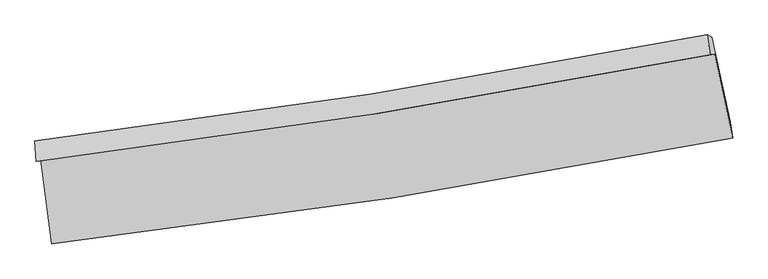
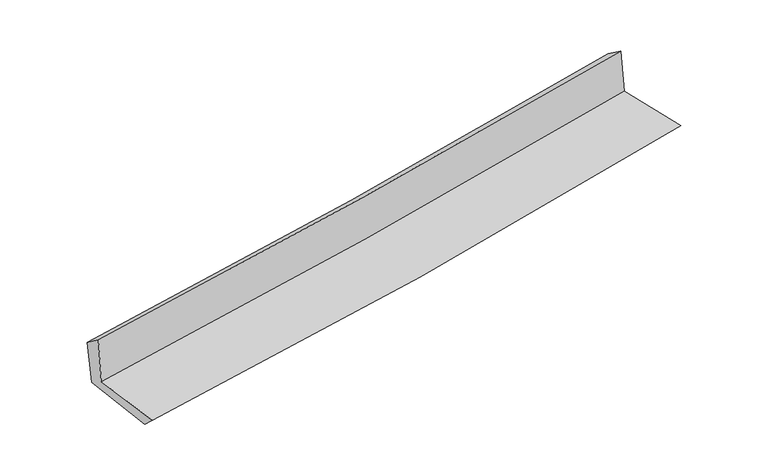
"""IFC4 building model written with IfcOpenShell, lengths in millimetres: proxy geometry."""

from ifc_helpers import new_model, si_unit, frame, origin, place, context, project, spatial, source, transform, mapped, element, save
from ifc_brep_helpers import plane_surface, spline_curve, spline_surface, advanced_brep


def generic_models_6f56cde4(model_context):
    return source(origin(), model_context, "Body", "AdvancedBrep", [
        advanced_brep(
        [(-2636.4367194, -1888.600669, 1641.3981784), (-2552.5159345, -2543.8942225, 1638.9602862), (2723.0361253, -1723.5181938, 2123.8002047), (2583.5381519, -1072.9073028, 2111.3906218), (-2671.5449919, -1904.9591883, 2062.9333195), (2548.8761057, -1078.8396084, 2512.7765181), (-2681.5730372, -1747.5976365, 1948.7842619), (2525.2387542, -923.8116303, 2402.5910934), (-2645.7787645, -1756.5215524, 1556.07288), (2562.8846366, -941.5870244, 2025.1007007), (-2557.5500171, -2433.1104496, 1535.6422779), (2706.4054023, -1599.2902025, 2009.7044318)],
        [
            (0, 1),
            (1, 2, spline_curve(3, [(-2552.5159345, -2543.8942225, 1638.9602862), (-1669.304804547, -2443.366669269, 1716.240940385), (-789.015776256, -2324.925183697, 1795.19345306), (969.527003837, -2051.622384945, 1956.792211494), (1847.755328574, -1896.605194589, 2039.453005038), (2723.0361253, -1723.5181938, 2123.8002047)], [4, 2, 4], [0.0, 8.730713442594686, 17.49932965823304])),
            (2, 3),
            (3, 0, spline_curve(3, [(2583.5381519, -1072.9073028, 2111.3906218), (1716.389780808, -1243.372038095, 2039.625491424), (846.870378688, -1396.689021377, 1964.484761645), (-893.141698589, -1668.43888645, 1807.791494632), (-1763.613920218, -1787.019691749, 1726.268076546), (-2636.4367194, -1888.600669, 1641.3981784)], [4, 2, 4], [0.0, 8.768616215638355, 17.49932965823304])),
            (4, 0),
            (3, 5),
            (5, 4, spline_curve(3, [(2548.8761057, -1078.8396084, 2512.7765181), (1681.224755302, -1247.654212046, 2444.322617072), (811.417061077, -1401.020535669, 2372.520301325), (-928.741906021, -1676.260465832, 2222.543683787), (-1799.074577933, -1798.267335465, 2144.398266638), (-2671.5449919, -1904.9591883, 2062.9333195)], [4, 2, 4], [0.0, 8.721991122814238, 17.40628101183205])),
            (6, 4),
            (5, 7),
            (7, 6, spline_curve(3, [(2525.2387542, -923.8116303, 2402.5910934), (1660.313842007, -1092.276018315, 2328.434825996), (793.005441445, -1245.272305486, 2253.455767485), (-942.619049863, -1519.734206791, 2102.179726121), (-1810.914579835, -1641.333254885, 2025.889840663), (-2681.5730372, -1747.5976365, 1948.7842619)], [4, 2, 4], [0.0, 8.711016579809668, 17.384379363822536])),
            (8, 6),
            (7, 9),
            (9, 8, spline_curve(3, [(2562.8846366, -941.5870244, 2025.1007007), (1698.256482161, -1111.986688015, 1946.694452887), (830.941169169, -1265.207695586, 1868.321090479), (-905.303145078, -1536.704347889, 1711.978767469), (-1774.208965971, -1655.128183147, 1634.009522808), (-2645.7787645, -1756.5215524, 1556.07288)], [4, 2, 4], [0.0, 8.701598788405233, 17.365584489878255])),
            (10, 8),
            (9, 11),
            (11, 10, spline_curve(3, [(2706.4054023, -1599.2902025, 2009.7044318), (1832.140535836, -1769.689195908, 1930.475805003), (955.389653511, -1924.490503834, 1851.270796591), (-799.283598357, -2202.296034291, 1693.250282445), (-1677.184522617, -2325.434808615, 1614.43457273), (-2557.5500171, -2433.1104496, 1535.6422779)], [4, 2, 4], [0.0, 8.750564647104431, 17.463304549954273])),
            (1, 10),
            (11, 2),
        ],
        [
            spline_surface(3, 3, [[(-2636.4367194, -1888.600669, 1641.3981784), (-1763.613920216, -1787.019691836, 1726.268076464), (-893.141698573, -1668.438886487, 1807.791494579), (846.870378672, -1396.689021341, 1964.484761698), (1716.389780827, -1243.372037977, 2039.625491375), (2583.5381519, -1072.9073028, 2111.3906218)], [(-2608.463124447, -2107.031853501, 1640.585547675), (-1732.177548359, -2005.802017676, 1722.925697744), (-858.433057768, -1887.267652176, 1803.59214739), (887.755920358, -1615.000142551, 1961.920578312), (1760.178296743, -1461.116423507, 2039.567995913), (2630.037476391, -1289.777599806, 2115.527149438)], [(-2580.489529453, -2325.463037999, 1639.772916925), (-1700.741176461, -2224.584343515, 1719.583319), (-823.724416958, -2106.096417923, 1799.392800202), (928.641462048, -1833.311263819, 1959.356394927), (1803.966812586, -1678.860809019, 2039.510500437), (2676.536800809, -1506.647896794, 2119.663677062)], [(-2552.5159345, -2543.8942225, 1638.9602862), (-1669.304804604, -2443.366669356, 1716.24094028), (-789.015776153, -2324.925183612, 1795.193453013), (969.527003733, -2051.62238503, 1956.792211541), (1847.755328502, -1896.60519455, 2039.453004975), (2723.0361253, -1723.5181938, 2123.8002047)]], [4, 4], [4, 2, 4], [0.0, 2.1834731356955306], [0.0, 8.730713442594686, 17.49932965823304]),
            spline_surface(3, 3, [[(-2671.5449919, -1904.9591883, 2062.9333195), (-1799.074578066, -1798.267335372, 2144.398266517), (-928.74190616, -1676.260465775, 2222.543683711), (811.417061216, -1401.020535726, 2372.520301401), (1681.224755177, -1247.654212022, 2444.322617044), (2548.8761057, -1078.8396084, 2512.7765181)], [(-2659.842234397, -1899.506348525, 1922.421605806), (-1787.25435878, -1794.518120852, 2005.021536506), (-916.875170313, -1673.65327268, 2084.292953996), (823.234833686, -1399.576697599, 2236.508454829), (1692.946430382, -1246.226820655, 2309.42357515), (2560.430121088, -1076.862173181, 2378.981219329)], [(-2648.139476903, -1894.053508775, 1781.909892094), (-1775.434139502, -1790.768906356, 1865.644806475), (-905.00843442, -1671.046079582, 1946.042224294), (835.052606202, -1398.132859468, 2100.49660827), (1704.668105623, -1244.799429345, 2174.524533269), (2571.984136512, -1074.884738019, 2245.185920571)], [(-2636.4367194, -1888.600669, 1641.3981784), (-1763.613920216, -1787.019691836, 1726.268076464), (-893.141698573, -1668.438886487, 1807.791494579), (846.870378672, -1396.689021341, 1964.484761698), (1716.389780827, -1243.372037977, 2039.625491375), (2583.5381519, -1072.9073028, 2111.3906218)]], [4, 4], [4, 2, 4], [0.0, 1.3548395218155211], [0.0, 8.684289889017812, 17.40628101183205]),
            spline_surface(3, 3, [[(-2681.5730372, -1747.5976365, 1948.7842619), (-1810.914579959, -1641.333254762, 2025.889840617), (-942.619049913, -1519.734206719, 2102.179726019), (793.005441496, -1245.272305558, 2253.455767588), (1660.313841941, -1092.276018187, 2328.43482602), (2525.2387542, -923.8116303, 2402.5910934)], [(-2678.230355446, -1800.051487094, 1986.833947755), (-1806.967912674, -1693.64461496, 2065.392649239), (-937.993335321, -1571.90962641, 2142.301045241), (799.142648077, -1297.188382286, 2293.143945517), (1667.284146352, -1144.068749455, 2367.064089697), (2533.117871366, -975.487622989, 2439.319568303)], [(-2674.887673654, -1852.505337706, 2024.883633645), (-1803.021245351, -1745.955975175, 2104.895457895), (-933.367620752, -1624.085046084, 2182.422364488), (805.279854636, -1349.104458998, 2332.832123471), (1674.254450766, -1195.861480755, 2405.693353367), (2540.996988534, -1027.163615711, 2476.048043197)], [(-2671.5449919, -1904.9591883, 2062.9333195), (-1799.074578066, -1798.267335372, 2144.398266517), (-928.74190616, -1676.260465775, 2222.543683711), (811.417061216, -1401.020535726, 2372.520301401), (1681.224755177, -1247.654212022, 2444.322617044), (2548.8761057, -1078.8396084, 2512.7765181)]], [4, 4], [4, 2, 4], [0.0, 0.647665464857117], [0.0, 8.673362784012868, 17.384379363822536]),
            spline_surface(3, 3, [[(-2645.7787645, -1756.5215524, 1556.07288), (-1774.208965887, -1655.128183281, 1634.009522785), (-905.303145075, -1536.704347977, 1711.978767371), (830.941169166, -1265.207695497, 1868.321090577), (1698.256482051, -1111.986688148, 1946.694452913), (2562.8846366, -941.5870244, 2025.1007007)], [(-2657.710188711, -1753.546913781, 1686.976673953), (-1786.444170555, -1650.529873789, 1764.636295382), (-917.741779999, -1531.047634209, 1842.045753599), (818.295926632, -1258.562565501, 1996.699316259), (1685.608935356, -1105.416464856, 2073.941243945), (2550.336009142, -935.661893061, 2150.930831597)], [(-2669.641612989, -1750.572275119, 1817.880467947), (-1798.679375291, -1645.931564254, 1895.263068021), (-930.18041499, -1525.390920488, 1972.112739791), (805.65068403, -1251.917435553, 2125.077541906), (1672.961388635, -1098.846241479, 2201.188034987), (2537.787381658, -929.736761639, 2276.760962503)], [(-2681.5730372, -1747.5976365, 1948.7842619), (-1810.914579959, -1641.333254762, 2025.889840617), (-942.619049913, -1519.734206719, 2102.179726019), (793.005441496, -1245.272305558, 2253.455767588), (1660.313841941, -1092.276018187, 2328.43482602), (2525.2387542, -923.8116303, 2402.5910934)]], [4, 4], [4, 2, 4], [0.0, 1.2792514478714767], [0.0, 8.663985701473022, 17.365584489878255]),
            spline_surface(3, 3, [[(-2557.5500171, -2433.1104496, 1535.6422779), (-1677.184522476, -2325.434808662, 1614.434572796), (-799.283598356, -2202.296034199, 1693.250282407), (955.38965351, -1924.490503925, 1851.270796628), (1832.140535859, -1769.689196007, 1930.475804989), (2706.4054023, -1599.2902025, 2009.7044318)], [(-2586.959599566, -2207.5808172, 1542.452478609), (-1709.526003612, -2101.999266868, 1620.959556135), (-834.623447274, -1980.432138796, 1699.493110718), (913.906825384, -1704.729567787, 1856.954227933), (1787.512517926, -1550.455026707, 1935.882020966), (2658.56514707, -1380.055809786, 2014.836521435)], [(-2616.369182034, -1982.0511848, 1549.262679291), (-1741.867484751, -1878.563725074, 1627.484539446), (-869.963296157, -1758.568243381, 1705.735939061), (872.423997293, -1484.968631636, 1862.637659272), (1742.884499983, -1331.220857448, 1941.288236937), (2610.72489183, -1160.821417114, 2019.968611065)], [(-2645.7787645, -1756.5215524, 1556.07288), (-1774.208965887, -1655.128183281, 1634.009522785), (-905.303145075, -1536.704347977, 1711.978767371), (830.941169166, -1265.207695497, 1868.321090577), (1698.256482051, -1111.986688148, 1946.694452913), (2562.8846366, -941.5870244, 2025.1007007)]], [4, 4], [4, 2, 4], [0.0, 2.206747184414575], [0.0, 8.712739902849842, 17.463304549954273]),
            spline_surface(3, 3, [[(-2552.5159345, -2543.8942225, 1638.9602862), (-1669.304804604, -2443.366669356, 1716.24094028), (-789.015776153, -2324.925183612, 1795.193453013), (969.527003733, -2051.62238503, 1956.792211541), (1847.755328502, -1896.60519455, 2039.453004975), (2723.0361253, -1723.5181938, 2123.8002047)], [(-2554.193962033, -2506.966298198, 1604.520950102), (-1671.931377228, -2404.056049123, 1682.305484454), (-792.438383555, -2284.048800499, 1761.212396157), (964.814553658, -2009.245091353, 1921.618406583), (1842.550397597, -1854.299861712, 2003.127271645), (2717.492550943, -1682.108863377, 2085.768280398)], [(-2555.871989567, -2470.038373902, 1570.081613998), (-1674.557949852, -2364.745428895, 1648.370028622), (-795.860990954, -2243.172417313, 1727.231339264), (960.102103585, -1966.867797602, 1886.444601587), (1837.345466764, -1811.994528844, 1966.80153832), (2711.948976657, -1640.699532923, 2047.736356102)], [(-2557.5500171, -2433.1104496, 1535.6422779), (-1677.184522476, -2325.434808662, 1614.434572796), (-799.283598356, -2202.296034199, 1693.250282407), (955.38965351, -1924.490503925, 1851.270796628), (1832.140535859, -1769.689196007, 1930.475804989), (2706.4054023, -1599.2902025, 2009.7044318)]], [4, 4], [4, 2, 4], [0.0, 0.534169494835415], [0.0, 8.768538340657347, 17.575143664137563]),
            plane_surface(frame((2608.3298627, -1223.3256604, 2197.5605951), z_axis=(0.9737109640537641, 0.210437255978803, 0.08719587018661662), x_axis=(-0.09912573181590066, 0.04680455946457371, 0.9939735522161993))),
            plane_surface(frame((-2624.2332441, -2045.7806197, 1730.6318673), z_axis=(-0.9881616488428838, -0.12622544285465728, -0.08719915901118967), x_axis=(-0.12702762173269214, 0.9918923158116117, 0.003690142383983689))),
        ],
        [
            (0, [[1, 2, 3, 4]]),
            (1, [[5, -4, 6, 7]]),
            (2, [[8, -7, 9, 10]]),
            (3, [[11, -10, 12, 13]]),
            (4, [[14, -13, 15, 16]]),
            (5, [[17, -16, 18, -2]]),
            (6, [[-12, -9, -6, -3, -18, -15]]),
            (7, [[-1, -5, -8, -11, -14, -17]]),
        ],
    ),
    ])


if __name__ == "__main__":
    model = new_model("IFC4")
    model_context = context("Model", 3, world=origin())
    ifc_project = project(units=[si_unit("LENGTHUNIT", "METRE", prefix="MILLI")], contexts=[model_context])
    site = spatial("IfcSite", under=ifc_project)
    building = spatial("IfcBuilding", under=site)
    placement = place(None, origin())
    generic_models_shape = generic_models_6f56cde4(model_context)
    element("IfcBuildingElementProxy", 1, Name="Generic Models", at=placement, inside=building, context=model_context, shape_type="MappedRepresentation", body=[
        mapped(generic_models_shape, transform((0.0, 0.0, 0.0), x_axis=(1.0, 0.0, 0.0), y_axis=(0.0, 1.0, 0.0), z_axis=(0.0, 0.0, 1.0))),
    ])
    save(model, "model.ifc")
